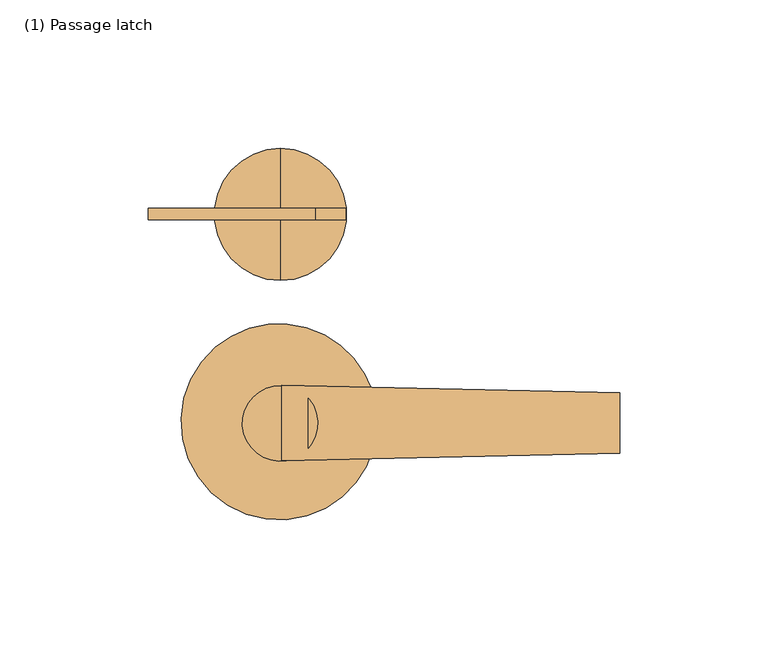
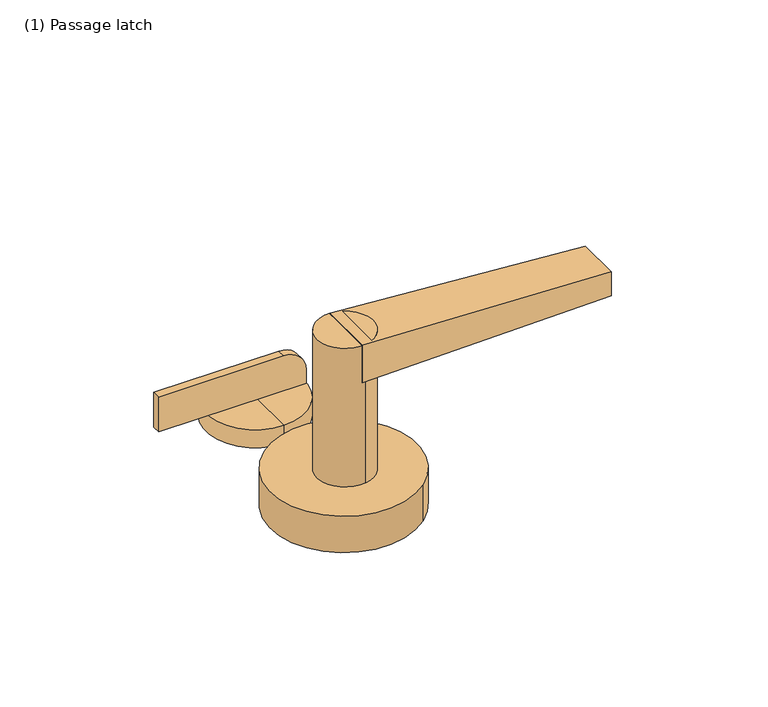
"""IFC4 building model written with IfcOpenShell, lengths in millimetres: door geometry, (1) Passage latch."""

from ifc_helpers import new_model, si_unit, point, frame, frame_2d, origin, origin_with_axes, place, context, project, spatial, polyline, circle_curve, trimmed, segment, composite_curve, outline, extrude, source, transform, mapped, element, save
from ifc_brep_helpers import plane_surface, cylinder_surface, spline_surface, advanced_brep


def door_1_passage_latch_2e0f7439(model_context):
    return source(origin(), model_context, "Body", "SolidModel", [
        advanced_brep(
        [(113.0826159, -9.8661661, 77.089), (113.0826159, -9.8661661, 65.659), (113.0826159, 10.4783486, 65.659), (113.0826159, 10.4783486, 77.089), (-0.79375, -12.3783123, 83.439), (-0.79375, 13.0118705, 83.439), (-0.79375, 13.0089229, 65.659), (-0.79375, -12.378509, 65.659)],
        [
            (0, 1),
            (1, 2),
            (2, 3),
            (3, 0),
            (4, 5),
            (5, 6),
            (6, 7),
            (7, 4),
            (7, 1),
            (0, 4),
            (6, 2),
            (5, 3),
        ],
        [
            plane_surface(frame((113.0826159, 0.3060912, 71.374), z_axis=(1.0, 0.0, 0.0), x_axis=(0.0, -1.0, 0.0))),
            plane_surface(frame((-0.79375, 0.315993, 74.549), z_axis=(-1.0000000000000002, 0.0, 0.0), x_axis=(0.0, -1.1064247386625775e-05, -0.9999999999387913))),
            spline_surface(1, 1, [[(-0.79375, -12.3783123, 83.439), (113.0826159, -9.8661661, 77.089)], [(-0.79375, -12.378509, 65.659), (113.0826159, -9.8661661, 65.659)]], [2, 2], [2, 2], [0.0, 1.0], [0.0, 1.0]),
            plane_surface(frame((-0.79375, 0.315207, 65.659), z_axis=(0.0, 0.0, -1.0), x_axis=(0.0, 1.0, 0.0))),
            spline_surface(1, 1, [[(-0.79375, 13.0089229, 65.659), (113.0826159, 10.4783486, 65.659)], [(-0.79375, 13.0118705, 83.439), (113.0826159, 10.4783486, 77.089)]], [2, 2], [2, 2], [0.0, 1.0], [0.0, 1.0]),
            plane_surface(frame((-0.79375, 0.3167791, 83.439), z_axis=(0.05567573642750613, 0.0, 0.9984489032360419), x_axis=(0.0, -1.0, 0.0))),
        ],
        [
            (0, [[1, 2, 3, 4]]),
            (1, [[5, 6, 7, 8]]),
            (2, [[-8, 9, -1, 10]]),
            (3, [[-7, 11, -2, -9]]),
            (4, [[-6, 12, -3, -11]]),
            (5, [[-5, -10, -4, -12]]),
        ],
    ),
        extrude(outline(composite_curve([segment(trimmed(circle_curve(frame_2d((-1.3064074, 0.1984375)), 12.7), [point((-3.427265, 12.7200973))], [point((0.8144502, -12.3232223))], False, "CARTESIAN"), True, "CONTINUOUS"), segment(trimmed(circle_curve(frame_2d((-1.3064074, 0.1984375)), 12.7), [point((0.8144502, -12.3232223))], [point((-3.427265, 12.7200973))], False, "CARTESIAN"), True, "CONTINUOUS")], self_intersect=False)), frame((0.0, 0.0, 17.399), z_axis=(0.0, 0.0, 1.0), x_axis=(1.0, 0.0, 0.0)), (0.0, 0.0, 1.0), 66.04),
        extrude(outline(composite_curve([segment(trimmed(circle_curve(frame_2d((-1.6178614, 0.7745191)), 33.02), [point((-22.9508261, 25.9781898))], [point((19.7151032, -24.4291516))], False, "CARTESIAN"), True, "CONTINUOUS"), segment(trimmed(circle_curve(frame_2d((-1.6178614, 0.7745191)), 33.02), [point((19.7151032, -24.4291516))], [point((-22.9508261, 25.9781898))], False, "CARTESIAN"), True, "CONTINUOUS")], self_intersect=False)), origin_with_axes(), (0.0, 0.0, 1.0), 17.399),
        extrude(outline(composite_curve([segment(polyline([(25.146, 10.6467926), (25.146, -45.6833325), (8.636, -45.6833325), (8.636, 20.8690339), (15.3233, 20.8690339)]), True, "CONTINUOUS"), segment(trimmed(circle_curve(frame_2d((14.9632029, 10.6925033)), 10.1828997), [point((15.3233, 20.8690339))], [point((25.146, 10.6467926))], False, "CARTESIAN"), True, "CONTINUOUS")], self_intersect=False)), frame((0.0, 68.8789197, 0.0), z_axis=(0.0, 1.0, 0.0), x_axis=(0.0, 0.0, 1.0)), (0.0, 0.0, 1.0), 3.81),
        advanced_brep(
        [(-1.190625, 92.8715961, 8.636), (-1.190625, 48.3891034, 8.636), (-1.190625, 70.6303498, 8.636), (-1.190625, 92.8715961, 0.0), (-1.190625, 48.3891034, 0.0), (-1.190625, 70.6303498, 0.0)],
        [
            (0, 1, circle_curve(frame((-1.190625, 70.6303498, 8.636), z_axis=(0.0, 0.0, 1.0), x_axis=(0.0, -1.0, 0.0)), 22.2412463)),
            (1, 2),
            (2, 0),
            (1, 0, circle_curve(frame((-1.190625, 70.6303498, 8.636), z_axis=(0.0, 0.0, 1.0), x_axis=(0.0, -1.0, 0.0)), 22.2412463)),
            (3, 4, circle_curve(frame((-1.190625, 70.6303498, 0.0), z_axis=(0.0, 0.0, 1.0), x_axis=(0.0, -1.0, 0.0)), 22.2412463)),
            (4, 1),
            (0, 3),
            (4, 3, circle_curve(frame((-1.190625, 70.6303498, 0.0), z_axis=(0.0, 0.0, 1.0), x_axis=(0.0, -1.0, 0.0)), 22.2412463)),
            (5, 4),
            (3, 5),
        ],
        [
            plane_surface(frame((-1.190625, 70.6303498, 8.636), z_axis=(0.0, 0.0, 1.0), x_axis=(0.0, -1.0, 0.0))),
            cylinder_surface(frame((-1.190625, 70.6303498, 76.2), z_axis=(0.0, 0.0, -1.0), x_axis=(0.0, -1.0, 0.0)), 22.2412463),
            plane_surface(frame((-1.190625, 70.6303498, 0.0), z_axis=(0.0, 0.0, -1.0), x_axis=(0.0, -1.0, 0.0))),
        ],
        [
            (0, [[1, 2, 3]]),
            (0, [[4, -3, -2]]),
            (1, [[5, 6, -1, 7]]),
            (1, [[8, -7, -4, -6]]),
            (2, [[9, -5, 10]]),
            (2, [[-10, -8, -9]]),
        ],
    ),
    ])


if __name__ == "__main__":
    model = new_model("IFC4")
    model_context = context("Model", 3, world=origin())
    ifc_project = project(units=[si_unit("LENGTHUNIT", "METRE", prefix="MILLI")], contexts=[model_context])
    site = spatial("IfcSite", under=ifc_project)
    building = spatial("IfcBuilding", under=site)
    placement = place(None, origin())
    door_1_passage_latch_shape = door_1_passage_latch_2e0f7439(model_context)
    element("IfcDoor", 1, ObjectType="(1) Passage latch", at=placement, inside=building, context=model_context, shape_type="MappedRepresentation", body=[
        mapped(door_1_passage_latch_shape, transform((0.0, 0.0, 0.0), x_axis=(1.0, 0.0, 0.0), y_axis=(0.0, 1.0, 0.0), z_axis=(0.0, 0.0, 1.0))),
    ])
    save(model, "model.ifc")
